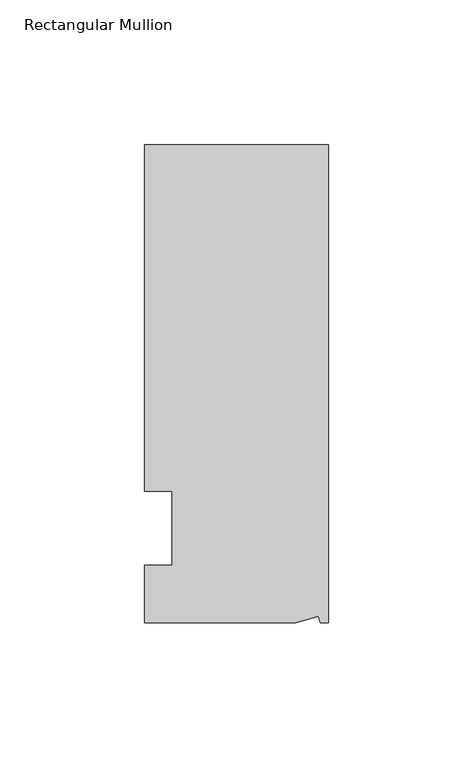
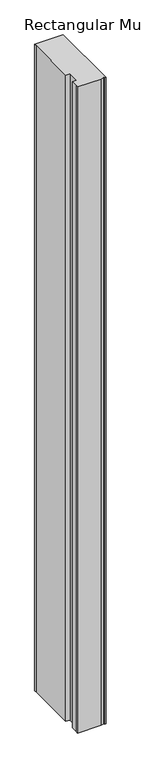
"""IFC4 building model written with IfcOpenShell, lengths in millimetres: member geometry, Rectangular Mullion."""

from ifc_helpers import new_model, si_unit, origin, place, context, project, spatial, faceted_brep, source, transform, mapped, element, save


def rectangular_mullion_e3819937(model_context):
    return source(origin(), model_context, "Body", "Brep", [
        faceted_brep([(0.0, 132.5561012, 0.0), (-63.5, 132.5561012, 0.0), (-63.5, 126.2061012, 0.0), (-63.5, 12.8488281, 0.0), (-53.975, 12.8488281, 0.0), (-53.975, -12.7, 0.0), (-63.5, -12.7, 0.0), (-63.5, -26.1938988, 0.0), (-63.5076469, -32.5438988, 0.0), (-11.1125, -32.5438988, 0.0), (-3.3223696, -30.4565397, 0.0), (-2.7630634, -32.5438988, 0.0), (0.0, -32.5438988, 0.0), (0.0, 132.5561012, -1524.0), (0.0, -32.5438988, -1524.0), (-2.7630634, -32.5438988, -1524.0), (-3.3223696, -30.4565397, -1524.0), (-11.1125, -32.5438988, -1524.0), (-63.5076469, -32.5438988, -1524.0), (-63.5076469, -26.1938988, -1524.0), (-63.5, -12.7, -1524.0), (-53.975, -12.7, -1524.0), (-53.975, 12.8488281, -1524.0), (-63.5, 12.8488281, -1524.0), (-63.5, 126.2061012, -1524.0), (-63.5, 132.5561012, -1524.0)], [[[0, 1, 2, 3, 4, 5, 6, 7, 8, 9, 10, 11, 12]], [[13, 14, 15, 16, 17, 18, 19, 20, 21, 22, 23, 24, 25]], [[0, 12, 14, 13]], [[1, 0, 13, 25]], [[3, 2, 24, 23]], [[4, 3, 23, 22]], [[5, 4, 22, 21]], [[6, 5, 21, 20]], [[7, 6, 20, 19]], [[9, 8, 18, 17]], [[10, 9, 17, 16]], [[11, 10, 16, 15]], [[12, 11, 15, 14]], [[2, 1, 25, 24]], [[8, 7, 19, 18]]]),
    ])


if __name__ == "__main__":
    model = new_model("IFC4")
    model_context = context("Model", 3, world=origin())
    ifc_project = project(units=[si_unit("LENGTHUNIT", "METRE", prefix="MILLI")], contexts=[model_context])
    site = spatial("IfcSite", under=ifc_project)
    building = spatial("IfcBuilding", under=site)
    placement = place(None, origin())
    rectangular_mullion_shape = rectangular_mullion_e3819937(model_context)
    element("IfcMember", 1, ObjectType="Rectangular Mullion", at=placement, inside=building, context=model_context, shape_type="MappedRepresentation", body=[
        mapped(rectangular_mullion_shape, transform((0.0, 0.0, 0.0), x_axis=(1.0, 0.0, 0.0), y_axis=(0.0, 1.0, 0.0), z_axis=(0.0, 0.0, 1.0))),
    ])
    save(model, "model.ifc")
